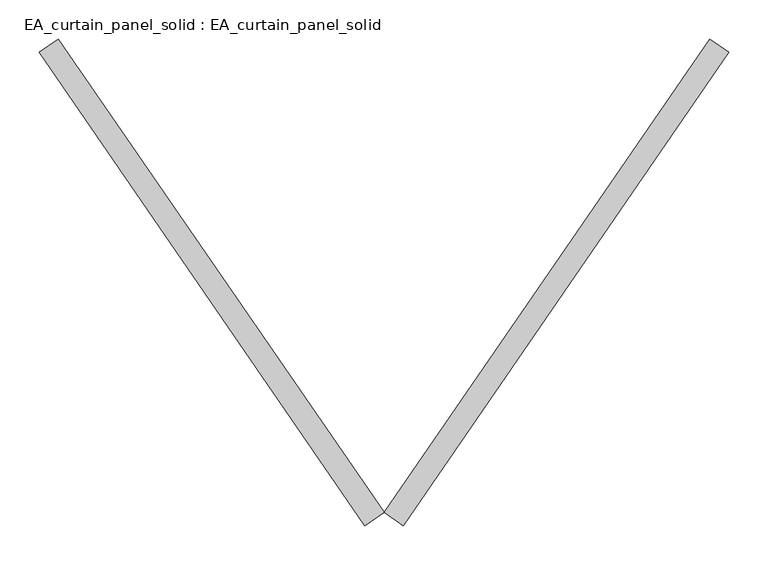
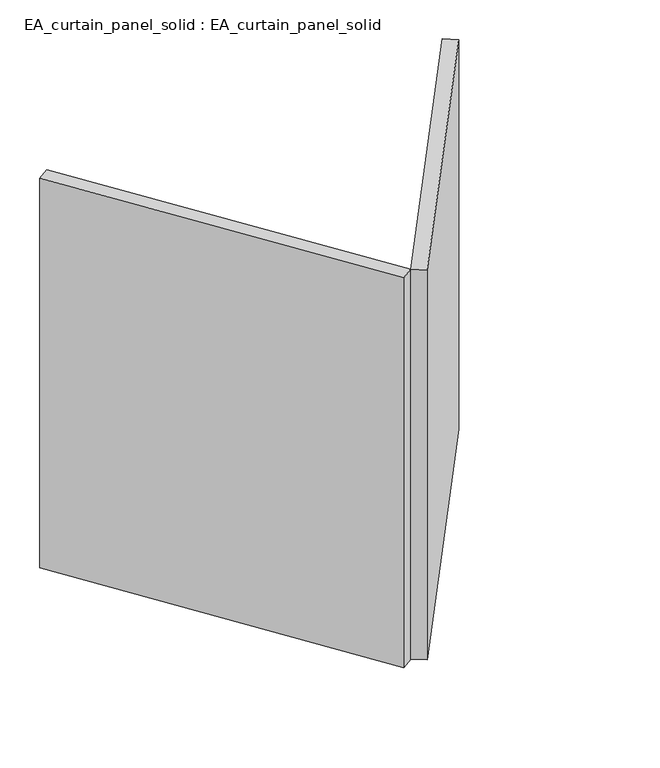
"""IFC4 building model written with IfcOpenShell, lengths in millimetres: plate geometry, EA_curtain_panel_solid : EA_curtain_panel_solid."""

from ifc_helpers import new_model, si_unit, origin, origin_with_axes, place, context, project, spatial, polyline, outline, extrude, source, transform, mapped, element, save


def ea_curtain_panel_solid_ea_curtain_panel_solid_e1f3e944(model_context):
    return source(origin(), model_context, "Body", "SweptSolid", [
        extrude(outline(polyline([(-269.2752801, -605.7556365), (-294.0, -588.7648087), (122.2752801, 16.9908278), (147.0, 0.0), (-269.2752801, -605.7556365)])), origin_with_axes(), (0.0, 0.0, 1.0), 866.6666667),
        extrude(outline(polyline([(-318.7247199, -605.7556365), (-735.0, 0.0), (-710.2752801, 16.9908278), (-294.0, -588.7648087), (-318.7247199, -605.7556365)])), origin_with_axes(), (0.0, 0.0, 1.0), 866.6666667),
    ])


if __name__ == "__main__":
    model = new_model("IFC4")
    model_context = context("Model", 3, world=origin())
    ifc_project = project(units=[si_unit("LENGTHUNIT", "METRE", prefix="MILLI")], contexts=[model_context])
    site = spatial("IfcSite", under=ifc_project)
    building = spatial("IfcBuilding", under=site)
    placement = place(None, origin())
    ea_curtain_panel_solid_ea_curtain_panel_solid_shape = ea_curtain_panel_solid_ea_curtain_panel_solid_e1f3e944(model_context)
    element("IfcPlate", 1, ObjectType="EA_curtain_panel_solid : EA_curtain_panel_solid", at=placement, inside=building, context=model_context, shape_type="MappedRepresentation", body=[
        mapped(ea_curtain_panel_solid_ea_curtain_panel_solid_shape, transform((0.0, 0.0, 0.0), x_axis=(1.0, 0.0, 0.0), y_axis=(0.0, 1.0, 0.0), z_axis=(0.0, 0.0, 1.0))),
    ])
    save(model, "model.ifc")
